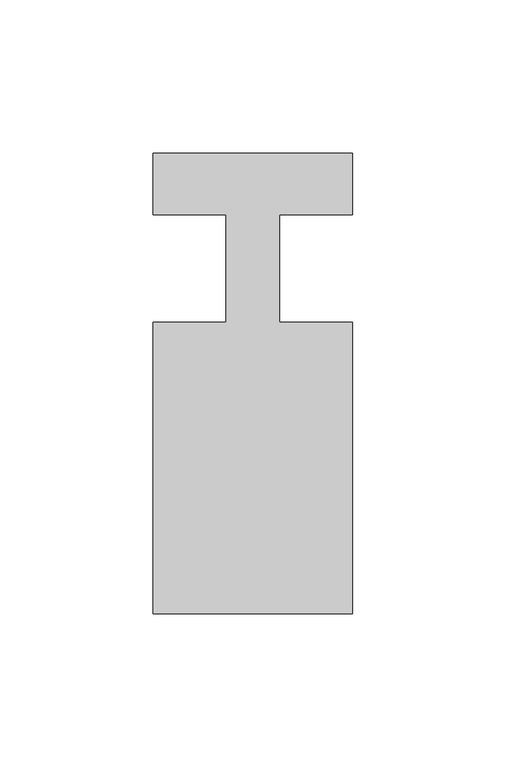
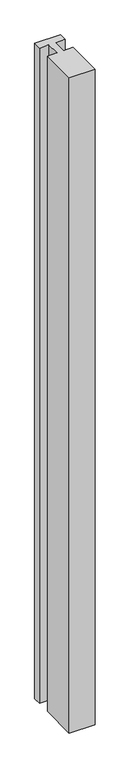
"""IFC4 building model written with IfcOpenShell, lengths in millimetres: member geometry."""

import ifcopenshell
import ifcopenshell.guid

model = None  # the IFC model being written
_history = None  # IfcOwnerHistory: only IFC2X3 demands one
_inside = {}  # id of a spatial element -> (the spatial element, [elements in it])
_under = {}  # id of a project, library or spatial element -> (it, [spatial elements below it])
_declared = {}  # id of a project -> (the project, [libraries it declares])
_typed = {}  # id of a type object -> (the type object, [elements of that type])
_made_of = {}  # id of a material, layer set ... -> (it, [elements and type objects made of it])


def new_model(schema):
    """Start an empty IFC model of exactly this schema.

    Asked for "IFC4X3", IfcOpenShell would pick the latest addendum, in which some entities
    have other attributes; the version numbers below select the first issue.
    IFC2X3 requires an IfcOwnerHistory on every rooted entity: one is made here for all.
    """
    global model, _history
    if schema == "IFC4X3":
        model = ifcopenshell.file(schema_version=(4, 3, 0, 0))
    else:
        model = ifcopenshell.file(schema=schema)
    _inside.clear()
    _under.clear()
    _declared.clear()
    _typed.clear()
    _made_of.clear()
    _history = None
    if model.schema == "IFC2X3":
        org = make("IfcOrganization", Name="unknown")
        user = make(
            "IfcPersonAndOrganization",
            ThePerson=make("IfcPerson", FamilyName="unknown"),
            TheOrganization=org,
        )
        app = make(
            "IfcApplication",
            ApplicationDeveloper=org,
            Version="unknown",
            ApplicationFullName="unknown",
            ApplicationIdentifier="unknown",
        )
        _history = make(
            "IfcOwnerHistory",
            OwningUser=user,
            OwningApplication=app,
            ChangeAction="ADDED",
            CreationDate=0,
        )
    return model


def make(cls, **values):
    """One entity of the class cls with the attributes given. An attribute that is None is left unset."""
    return model.create_entity(
        cls, **{name: value for name, value in values.items() if value is not None}
    )


def rooted(cls, **values):
    """An entity with a GlobalId (a new one), such as an element, a storey or a relation."""
    return make(cls, GlobalId=ifcopenshell.guid.new(), OwnerHistory=_history, **values)


def si_unit(unit_type, name, prefix=None):
    """IfcSIUnit, for example si_unit("LENGTHUNIT", "METRE", prefix="MILLI")."""
    return make("IfcSIUnit", UnitType=unit_type, Prefix=prefix, Name=name)


def assignment(units):
    """IfcUnitAssignment: the units of a project."""
    return None if units is None else make("IfcUnitAssignment", Units=units)


def point(xyz):
    """IfcCartesianPoint."""
    return None if xyz is None else make("IfcCartesianPoint", Coordinates=xyz)


def direction(xyz):
    """IfcDirection."""
    return None if xyz is None else make("IfcDirection", DirectionRatios=xyz)


def frame(location, z_axis=None, x_axis=None):
    """IfcAxis2Placement3D, a coordinate frame: its origin and axes. An axis left out is left unset."""
    return make(
        "IfcAxis2Placement3D",
        Location=point(location),
        Axis=direction(z_axis),
        RefDirection=direction(x_axis),
    )


def origin():
    """The frame at (0, 0, 0) with its axes left unset."""
    return frame((0.0, 0.0, 0.0))


def place(relative_to, where):
    """IfcLocalPlacement: puts the frame where relative to a parent placement (None: the world)."""
    return make(
        "IfcLocalPlacement", PlacementRelTo=relative_to, RelativePlacement=where
    )


def context(
    kind, dimensions, precision=None, world=None, true_north=None, identifier=None
):
    """IfcGeometricRepresentationContext, for example the 3D "Model" context."""
    return make(
        "IfcGeometricRepresentationContext",
        ContextIdentifier=identifier,
        ContextType=kind,
        CoordinateSpaceDimension=dimensions,
        Precision=precision,
        WorldCoordinateSystem=world,
        TrueNorth=true_north,
    )


def project(units=None, contexts=None):
    """IfcProject with its units and contexts."""
    return rooted(
        "IfcProject",
        Name="project",
        RepresentationContexts=contexts,
        UnitsInContext=assignment(units),
    )


def spatial(cls, under=None, at=None, **own):
    """A site, building, storey or space (cls), placed at a placement, below another one or the project."""
    s = rooted(cls, ObjectPlacement=at, **own)
    if under is not None:
        _under.setdefault(under.id(), (under, []))[1].append(s)
    return s


def polyline(points):
    """IfcPolyline through the points."""
    return make("IfcPolyline", Points=[point(p) for p in points])


def outline(outer, holes=None, kind="AREA"):
    """IfcArbitraryClosedProfileDef: a profile drawn as a closed curve; with holes, ...WithVoids."""
    if holes is None:
        return make("IfcArbitraryClosedProfileDef", ProfileType=kind, OuterCurve=outer)
    return make(
        "IfcArbitraryProfileDefWithVoids",
        ProfileType=kind,
        OuterCurve=outer,
        InnerCurves=holes,
    )


def extrude(swept, where, along, depth):
    """IfcExtrudedAreaSolid: the profile swept, set in the frame where, extruded along a direction by depth."""
    return make(
        "IfcExtrudedAreaSolid",
        SweptArea=swept,
        Position=where,
        ExtrudedDirection=direction(along),
        Depth=depth,
    )


def shape(context_of_items, identifier, shape_type, items):
    """IfcShapeRepresentation: the items that make up one representation, for example the "Body"."""
    return make(
        "IfcShapeRepresentation",
        ContextOfItems=context_of_items,
        RepresentationIdentifier=identifier,
        RepresentationType=shape_type,
        Items=items,
    )


def source(mapping_origin, context_of_items, identifier, shape_type, items):
    """IfcRepresentationMap: a shape defined once, which mapped items show again and again."""
    return make(
        "IfcRepresentationMap",
        MappingOrigin=mapping_origin,
        MappedRepresentation=shape(context_of_items, identifier, shape_type, items),
    )


def transform(
    local_origin,
    x_axis=None,
    y_axis=None,
    z_axis=None,
    scale=None,
    scale2=None,
    scale3=None,
    uniform=True,
):
    """IfcCartesianTransformationOperator3D, or its non-uniform kind. x_axis, y_axis, z_axis: its Axis1, 2, 3."""
    if uniform:
        return make(
            "IfcCartesianTransformationOperator3D",
            Axis1=direction(x_axis),
            Axis2=direction(y_axis),
            LocalOrigin=point(local_origin),
            Scale=scale,
            Axis3=direction(z_axis),
        )
    return make(
        "IfcCartesianTransformationOperator3DnonUniform",
        Axis1=direction(x_axis),
        Axis2=direction(y_axis),
        LocalOrigin=point(local_origin),
        Scale=scale,
        Axis3=direction(z_axis),
        Scale2=scale2,
        Scale3=scale3,
    )


def mapped(mapping_source, mapping_target):
    """IfcMappedItem: shows the shape of a source again, moved by a transform."""
    return make(
        "IfcMappedItem", MappingSource=mapping_source, MappingTarget=mapping_target
    )


def made_of(thing, what):
    """Note that an element or type object is made of a material, layer set ...; save() writes the relation."""
    if what is not None:
        _made_of.setdefault(what.id(), (what, []))[1].append(thing)
    return thing


def element(
    cls,
    number,
    at=None,
    inside=None,
    cuts=None,
    type_object=None,
    material=None,
    context=None,
    identifier="Body",
    shape_type=None,
    held_by="IfcProductDefinitionShape",
    body=None,
    shapes=None,
    **own,
):
    """One element of the class cls, such as IfcWall. Its Tag is "e" and its number.

    at: its placement. inside: the storey or other place that contains it. cuts: it is an
    opening in that element (IfcRelVoidsElement). A single representation is given by context,
    identifier, shape_type and body (its items); several are given by shapes. held_by: the class
    of the entity that holds the representations. save() writes the other relations.
    """
    e = rooted(cls, Tag="e%d" % number, ObjectPlacement=at, **own)
    if body is not None:
        shapes = [shape(context, identifier, shape_type, body)]
    if shapes is not None:
        e.Representation = make(held_by, Representations=shapes)
    if inside is not None:
        _inside.setdefault(inside.id(), (inside, []))[1].append(e)
    if cuts is not None:
        rooted(
            "IfcRelVoidsElement", RelatingBuildingElement=cuts, RelatedOpeningElement=e
        )
    if type_object is not None:
        _typed.setdefault(type_object.id(), (type_object, []))[1].append(e)
    return made_of(e, material)


def aggregate(whole, parts):
    """IfcRelAggregates: a whole, such as a stair, and the parts it consists of."""
    return rooted("IfcRelAggregates", RelatingObject=whole, RelatedObjects=parts)


def save(model, path):
    """Write the relations noted so far, then the file.

    IfcRelAggregates (storeys below a building ...), IfcRelContainedInSpatialStructure (elements
    in a storey), IfcRelDefinesByType, IfcRelAssociatesMaterial and IfcRelDeclares: one each for
    every whole, place, type object, material and project.
    """
    for whole, parts in _under.values():
        aggregate(whole, parts)
    for where, things in _inside.values():
        rooted(
            "IfcRelContainedInSpatialStructure",
            RelatedElements=things,
            RelatingStructure=where,
        )
    for kind, things in _typed.values():
        rooted("IfcRelDefinesByType", RelatedObjects=things, RelatingType=kind)
    for what, things in _made_of.values():
        rooted("IfcRelAssociatesMaterial", RelatedObjects=things, RelatingMaterial=what)
    for by, libraries in _declared.values():
        rooted("IfcRelDeclares", RelatingContext=by, RelatedDefinitions=libraries)
    model.write(path)


def member_bb1d840c(model_context):
    return source(origin(), model_context, "Body", "SweptSolid", [
        extrude(outline(polyline([(0.0, 37.0), (0.0, 17.0), (-23.8125, 17.0), (-23.8125, -18.0), (0.0, -18.0), (0.0, -113.0), (-65.0, -113.0), (-65.0, -18.0), (-41.1875, -18.0), (-41.1875, 17.0), (-65.0, 17.0), (-65.0, 37.0), (0.0, 37.0)])), frame((0.0, 0.0, -1740.0), z_axis=(0.0, 0.0, 1.0), x_axis=(1.0, 0.0, 0.0)), (0.0, 0.0, 1.0), 1740.0),
    ])


if __name__ == "__main__":
    model = new_model("IFC4")
    model_context = context("Model", 3, world=origin())
    ifc_project = project(units=[si_unit("LENGTHUNIT", "METRE", prefix="MILLI")], contexts=[model_context])
    site = spatial("IfcSite", under=ifc_project)
    building = spatial("IfcBuilding", under=site)
    placement = place(None, origin())
    member_shape = member_bb1d840c(model_context)
    element("IfcMember", 1, at=placement, inside=building, context=model_context, shape_type="MappedRepresentation", body=[
        mapped(member_shape, transform((0.0, 0.0, 0.0), x_axis=(1.0, 0.0, 0.0), y_axis=(0.0, 1.0, 0.0), z_axis=(0.0, 0.0, 1.0))),
    ])
    save(model, "model.ifc")
